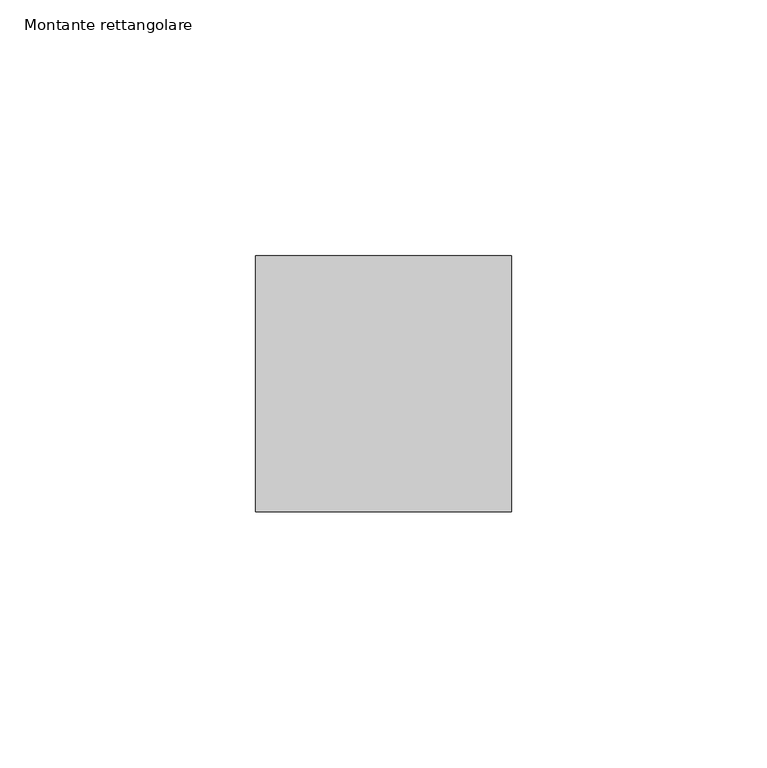
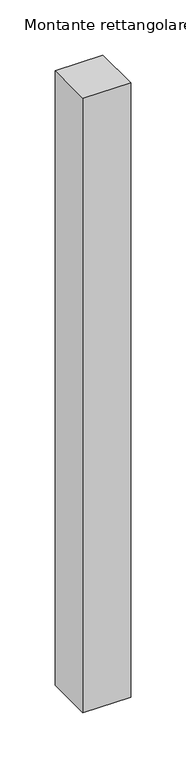
"""IFC4 building model written with IfcOpenShell, lengths in millimetres: member geometry, Montante rettangolare."""

import ifcopenshell
import ifcopenshell.guid

model = None  # the IFC model being written
_history = None  # IfcOwnerHistory: only IFC2X3 demands one
_inside = {}  # id of a spatial element -> (the spatial element, [elements in it])
_under = {}  # id of a project, library or spatial element -> (it, [spatial elements below it])
_declared = {}  # id of a project -> (the project, [libraries it declares])
_typed = {}  # id of a type object -> (the type object, [elements of that type])
_made_of = {}  # id of a material, layer set ... -> (it, [elements and type objects made of it])


def new_model(schema):
    """Start an empty IFC model of exactly this schema.

    Asked for "IFC4X3", IfcOpenShell would pick the latest addendum, in which some entities
    have other attributes; the version numbers below select the first issue.
    IFC2X3 requires an IfcOwnerHistory on every rooted entity: one is made here for all.
    """
    global model, _history
    if schema == "IFC4X3":
        model = ifcopenshell.file(schema_version=(4, 3, 0, 0))
    else:
        model = ifcopenshell.file(schema=schema)
    _inside.clear()
    _under.clear()
    _declared.clear()
    _typed.clear()
    _made_of.clear()
    _history = None
    if model.schema == "IFC2X3":
        org = make("IfcOrganization", Name="unknown")
        user = make(
            "IfcPersonAndOrganization",
            ThePerson=make("IfcPerson", FamilyName="unknown"),
            TheOrganization=org,
        )
        app = make(
            "IfcApplication",
            ApplicationDeveloper=org,
            Version="unknown",
            ApplicationFullName="unknown",
            ApplicationIdentifier="unknown",
        )
        _history = make(
            "IfcOwnerHistory",
            OwningUser=user,
            OwningApplication=app,
            ChangeAction="ADDED",
            CreationDate=0,
        )
    return model


def make(cls, **values):
    """One entity of the class cls with the attributes given. An attribute that is None is left unset."""
    return model.create_entity(
        cls, **{name: value for name, value in values.items() if value is not None}
    )


def rooted(cls, **values):
    """An entity with a GlobalId (a new one), such as an element, a storey or a relation."""
    return make(cls, GlobalId=ifcopenshell.guid.new(), OwnerHistory=_history, **values)


def si_unit(unit_type, name, prefix=None):
    """IfcSIUnit, for example si_unit("LENGTHUNIT", "METRE", prefix="MILLI")."""
    return make("IfcSIUnit", UnitType=unit_type, Prefix=prefix, Name=name)


def assignment(units):
    """IfcUnitAssignment: the units of a project."""
    return None if units is None else make("IfcUnitAssignment", Units=units)


def point(xyz):
    """IfcCartesianPoint."""
    return None if xyz is None else make("IfcCartesianPoint", Coordinates=xyz)


def direction(xyz):
    """IfcDirection."""
    return None if xyz is None else make("IfcDirection", DirectionRatios=xyz)


def frame(location, z_axis=None, x_axis=None):
    """IfcAxis2Placement3D, a coordinate frame: its origin and axes. An axis left out is left unset."""
    return make(
        "IfcAxis2Placement3D",
        Location=point(location),
        Axis=direction(z_axis),
        RefDirection=direction(x_axis),
    )


def origin():
    """The frame at (0, 0, 0) with its axes left unset."""
    return frame((0.0, 0.0, 0.0))


def place(relative_to, where):
    """IfcLocalPlacement: puts the frame where relative to a parent placement (None: the world)."""
    return make(
        "IfcLocalPlacement", PlacementRelTo=relative_to, RelativePlacement=where
    )


def context(
    kind, dimensions, precision=None, world=None, true_north=None, identifier=None
):
    """IfcGeometricRepresentationContext, for example the 3D "Model" context."""
    return make(
        "IfcGeometricRepresentationContext",
        ContextIdentifier=identifier,
        ContextType=kind,
        CoordinateSpaceDimension=dimensions,
        Precision=precision,
        WorldCoordinateSystem=world,
        TrueNorth=true_north,
    )


def project(units=None, contexts=None):
    """IfcProject with its units and contexts."""
    return rooted(
        "IfcProject",
        Name="project",
        RepresentationContexts=contexts,
        UnitsInContext=assignment(units),
    )


def spatial(cls, under=None, at=None, **own):
    """A site, building, storey or space (cls), placed at a placement, below another one or the project."""
    s = rooted(cls, ObjectPlacement=at, **own)
    if under is not None:
        _under.setdefault(under.id(), (under, []))[1].append(s)
    return s


def polyline(points):
    """IfcPolyline through the points."""
    return make("IfcPolyline", Points=[point(p) for p in points])


def outline(outer, holes=None, kind="AREA"):
    """IfcArbitraryClosedProfileDef: a profile drawn as a closed curve; with holes, ...WithVoids."""
    if holes is None:
        return make("IfcArbitraryClosedProfileDef", ProfileType=kind, OuterCurve=outer)
    return make(
        "IfcArbitraryProfileDefWithVoids",
        ProfileType=kind,
        OuterCurve=outer,
        InnerCurves=holes,
    )


def extrude(swept, where, along, depth):
    """IfcExtrudedAreaSolid: the profile swept, set in the frame where, extruded along a direction by depth."""
    return make(
        "IfcExtrudedAreaSolid",
        SweptArea=swept,
        Position=where,
        ExtrudedDirection=direction(along),
        Depth=depth,
    )


def shape(context_of_items, identifier, shape_type, items):
    """IfcShapeRepresentation: the items that make up one representation, for example the "Body"."""
    return make(
        "IfcShapeRepresentation",
        ContextOfItems=context_of_items,
        RepresentationIdentifier=identifier,
        RepresentationType=shape_type,
        Items=items,
    )


def source(mapping_origin, context_of_items, identifier, shape_type, items):
    """IfcRepresentationMap: a shape defined once, which mapped items show again and again."""
    return make(
        "IfcRepresentationMap",
        MappingOrigin=mapping_origin,
        MappedRepresentation=shape(context_of_items, identifier, shape_type, items),
    )


def transform(
    local_origin,
    x_axis=None,
    y_axis=None,
    z_axis=None,
    scale=None,
    scale2=None,
    scale3=None,
    uniform=True,
):
    """IfcCartesianTransformationOperator3D, or its non-uniform kind. x_axis, y_axis, z_axis: its Axis1, 2, 3."""
    if uniform:
        return make(
            "IfcCartesianTransformationOperator3D",
            Axis1=direction(x_axis),
            Axis2=direction(y_axis),
            LocalOrigin=point(local_origin),
            Scale=scale,
            Axis3=direction(z_axis),
        )
    return make(
        "IfcCartesianTransformationOperator3DnonUniform",
        Axis1=direction(x_axis),
        Axis2=direction(y_axis),
        LocalOrigin=point(local_origin),
        Scale=scale,
        Axis3=direction(z_axis),
        Scale2=scale2,
        Scale3=scale3,
    )


def mapped(mapping_source, mapping_target):
    """IfcMappedItem: shows the shape of a source again, moved by a transform."""
    return make(
        "IfcMappedItem", MappingSource=mapping_source, MappingTarget=mapping_target
    )


def made_of(thing, what):
    """Note that an element or type object is made of a material, layer set ...; save() writes the relation."""
    if what is not None:
        _made_of.setdefault(what.id(), (what, []))[1].append(thing)
    return thing


def element(
    cls,
    number,
    at=None,
    inside=None,
    cuts=None,
    type_object=None,
    material=None,
    context=None,
    identifier="Body",
    shape_type=None,
    held_by="IfcProductDefinitionShape",
    body=None,
    shapes=None,
    **own,
):
    """One element of the class cls, such as IfcWall. Its Tag is "e" and its number.

    at: its placement. inside: the storey or other place that contains it. cuts: it is an
    opening in that element (IfcRelVoidsElement). A single representation is given by context,
    identifier, shape_type and body (its items); several are given by shapes. held_by: the class
    of the entity that holds the representations. save() writes the other relations.
    """
    e = rooted(cls, Tag="e%d" % number, ObjectPlacement=at, **own)
    if body is not None:
        shapes = [shape(context, identifier, shape_type, body)]
    if shapes is not None:
        e.Representation = make(held_by, Representations=shapes)
    if inside is not None:
        _inside.setdefault(inside.id(), (inside, []))[1].append(e)
    if cuts is not None:
        rooted(
            "IfcRelVoidsElement", RelatingBuildingElement=cuts, RelatedOpeningElement=e
        )
    if type_object is not None:
        _typed.setdefault(type_object.id(), (type_object, []))[1].append(e)
    return made_of(e, material)


def aggregate(whole, parts):
    """IfcRelAggregates: a whole, such as a stair, and the parts it consists of."""
    return rooted("IfcRelAggregates", RelatingObject=whole, RelatedObjects=parts)


def save(model, path):
    """Write the relations noted so far, then the file.

    IfcRelAggregates (storeys below a building ...), IfcRelContainedInSpatialStructure (elements
    in a storey), IfcRelDefinesByType, IfcRelAssociatesMaterial and IfcRelDeclares: one each for
    every whole, place, type object, material and project.
    """
    for whole, parts in _under.values():
        aggregate(whole, parts)
    for where, things in _inside.values():
        rooted(
            "IfcRelContainedInSpatialStructure",
            RelatedElements=things,
            RelatingStructure=where,
        )
    for kind, things in _typed.values():
        rooted("IfcRelDefinesByType", RelatedObjects=things, RelatingType=kind)
    for what, things in _made_of.values():
        rooted("IfcRelAssociatesMaterial", RelatedObjects=things, RelatingMaterial=what)
    for by, libraries in _declared.values():
        rooted("IfcRelDeclares", RelatingContext=by, RelatedDefinitions=libraries)
    model.write(path)


def montante_rettangolare_1062170a(model_context):
    return source(origin(), model_context, "Body", "SweptSolid", [
        extrude(outline(polyline([(25.0, 25.0), (25.0, -25.0), (-25.0, -25.0), (-25.0, 25.0), (25.0, 25.0)])), frame((0.0, 0.0, -680.0), z_axis=(0.0, 0.0, 1.0), x_axis=(1.0, 0.0, 0.0)), (0.0, 0.0, 1.0), 680.0),
    ])


if __name__ == "__main__":
    model = new_model("IFC4")
    model_context = context("Model", 3, world=origin())
    ifc_project = project(units=[si_unit("LENGTHUNIT", "METRE", prefix="MILLI")], contexts=[model_context])
    site = spatial("IfcSite", under=ifc_project)
    building = spatial("IfcBuilding", under=site)
    placement = place(None, origin())
    montante_rettangolare_shape = montante_rettangolare_1062170a(model_context)
    element("IfcMember", 1, ObjectType="Montante rettangolare", at=placement, inside=building, context=model_context, shape_type="MappedRepresentation", body=[
        mapped(montante_rettangolare_shape, transform((0.0, 0.0, 0.0), x_axis=(1.0, 0.0, 0.0), y_axis=(0.0, 1.0, 0.0), z_axis=(0.0, 0.0, 1.0))),
    ])
    save(model, "model.ifc")
